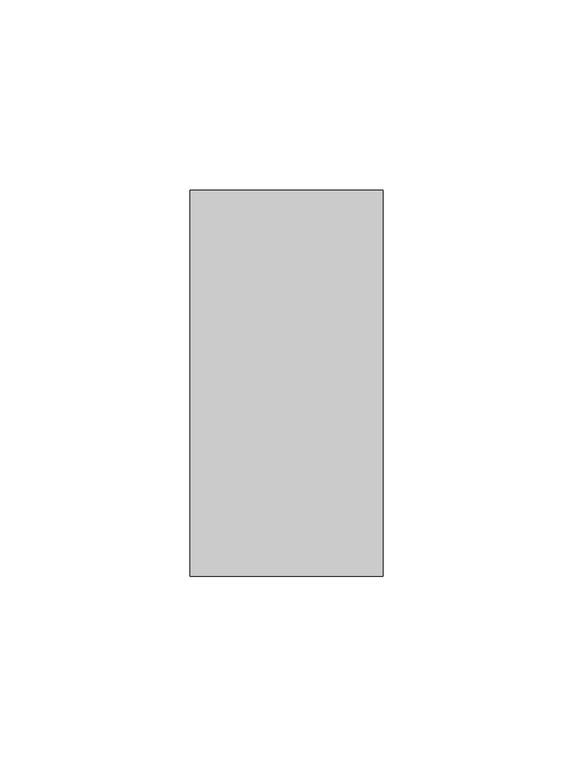
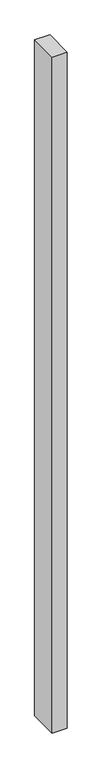
"""IFC4 building model written with IfcOpenShell, lengths in millimetres: proxy geometry."""

from ifc_helpers import new_model, si_unit, origin, origin_with_axes, place, context, project, spatial, polyline, outline, extrude, source, transform, mapped, element, save


def generic_models_d1762001(model_context):
    return source(origin(), model_context, "Body", "SweptSolid", [
        extrude(outline(polyline([(50.8, 0.0), (0.0, 0.0), (0.0, 101.6), (50.8, 101.6), (50.8, 0.0)])), origin_with_axes(), (0.0, 0.0, 1.0), 2400.0),
    ])


if __name__ == "__main__":
    model = new_model("IFC4")
    model_context = context("Model", 3, world=origin())
    ifc_project = project(units=[si_unit("LENGTHUNIT", "METRE", prefix="MILLI")], contexts=[model_context])
    site = spatial("IfcSite", under=ifc_project)
    building = spatial("IfcBuilding", under=site)
    placement = place(None, origin())
    generic_models_shape = generic_models_d1762001(model_context)
    element("IfcBuildingElementProxy", 1, Name="Generic Models", at=placement, inside=building, context=model_context, shape_type="MappedRepresentation", body=[
        mapped(generic_models_shape, transform((0.0, 0.0, 0.0), x_axis=(1.0, 0.0, 0.0), y_axis=(0.0, 1.0, 0.0), z_axis=(0.0, 0.0, 1.0))),
    ])
    save(model, "model.ifc")
